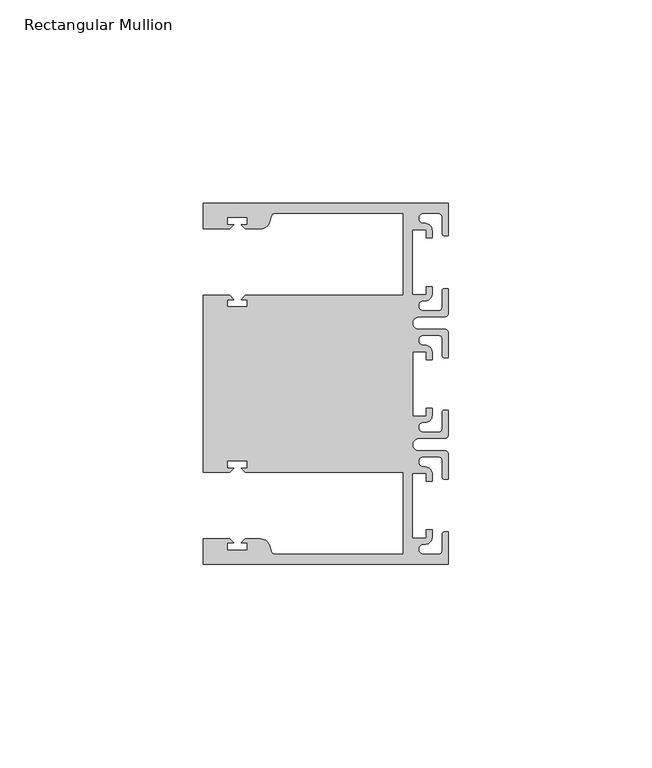
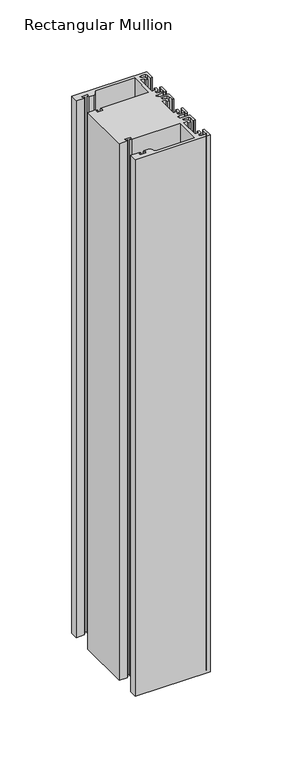
"""IFC4 building model written with IfcOpenShell, lengths in millimetres: member geometry, Rectangular Mullion."""

from ifc_helpers import new_model, si_unit, point, frame, frame_2d, origin, place, context, project, spatial, polyline, circle_curve, trimmed, segment, composite_curve, outline, extrude, source, transform, mapped, element, save


def rectangular_mullion_82d2e750(model_context):
    return source(origin(), model_context, "Body", "SweptSolid", [
        extrude(outline(composite_curve([segment(polyline([(0.0, -44.45), (-60.3249977, -44.45), (-60.3249977, -38.1499897), (-53.8507531, -38.1499897), (-52.8507405, -39.1500023), (-54.4249778, -39.1500023), (-54.4249778, -40.9498819), (-49.4249831, -40.9498819), (-49.4249831, -39.1500023), (-50.999256, -39.1500023), (-49.9992503, -38.1499966), (-46.3137853, -38.1499966)]), True, "CONTINUOUS"), segment(trimmed(circle_curve(frame_2d((-46.3137853, -40.6499966)), 2.5), [point((-46.3137853, -38.1499966))], [point((-43.8989707, -40.002949))], False, "CARTESIAN"), True, "CONTINUOUS"), segment(polyline([(-43.8989707, -40.002949), (-43.5758588, -41.2088192)]), True, "CONTINUOUS"), segment(trimmed(circle_curve(frame_2d((-42.6099329, -40.9500001)), 1.0), [point((-43.5758588, -41.2088192))], [point((-42.6099329, -41.9500001))], True, "CARTESIAN"), True, "CONTINUOUS"), segment(polyline([(-42.6099329, -41.9500001), (-11.1124977, -41.95), (-11.1124977, -21.7499959), (-49.9992434, -21.7499959), (-50.999256, -20.7499834), (-49.4250186, -20.7499834), (-49.4250186, -18.949936), (-54.4250134, -18.949936), (-54.4250134, -20.7499834), (-52.8507405, -20.7499834), (-53.8507562, -21.749999), (-60.325, -21.749999), (-60.325, 21.749999), (-53.8507562, 21.749999), (-52.8507405, 20.7499834), (-54.4250134, 20.7499834), (-54.4250134, 18.949936), (-49.4250186, 18.949936), (-49.4250186, 20.7499834), (-50.999256, 20.7499834), (-49.9992434, 21.7499959), (-11.1125, 21.7499959), (-11.1125, 41.95), (-42.6099329, 41.95)]), True, "CONTINUOUS"), segment(trimmed(circle_curve(frame_2d((-42.6099329, 40.9500001)), 1.0), [point((-42.6099329, 41.95))], [point((-43.5758588, 41.2088192))], True, "CARTESIAN"), True, "CONTINUOUS"), segment(polyline([(-43.5758588, 41.2088192), (-43.8989707, 40.002949)]), True, "CONTINUOUS"), segment(trimmed(circle_curve(frame_2d((-46.3137853, 40.6499966)), 2.5), [point((-43.8989707, 40.002949))], [point((-46.3137853, 38.1499966))], False, "CARTESIAN"), True, "CONTINUOUS"), segment(polyline([(-46.3137853, 38.1499966), (-49.9992503, 38.1499966), (-50.999256, 39.1500023), (-49.4249831, 39.1500023), (-49.4249831, 40.9498819), (-54.4249778, 40.9498819), (-54.4249778, 39.1500023), (-52.8507405, 39.1500023), (-53.8507531, 38.1499897), (-60.325, 38.1499897), (-60.325, 44.45), (0.0, 44.45), (0.0, 36.4500318), (-1.0, 36.4500318)]), True, "CONTINUOUS"), segment(trimmed(circle_curve(frame_2d((-1.0, 36.9500318)), 0.5), [point((-1.0, 36.4500318))], [point((-1.5, 36.9500318))], False, "CARTESIAN"), True, "CONTINUOUS"), segment(polyline([(-1.5, 36.9500318), (-1.5, 40.95)]), True, "CONTINUOUS"), segment(trimmed(circle_curve(frame_2d((-2.5, 40.95)), 1.0), [point((-1.5, 40.95))], [point((-2.5, 41.95))], True, "CARTESIAN"), True, "CONTINUOUS"), segment(polyline([(-2.5, 41.95), (-6.0499986, 41.95)]), True, "CONTINUOUS"), segment(trimmed(circle_curve(frame_2d((-6.0499986, 40.6999986)), 1.2500014), [point((-6.0499986, 41.95))], [point((-5.9027291, 39.4587029))], True, "CARTESIAN"), True, "CONTINUOUS"), segment(trimmed(circle_curve(frame_2d((-5.7186029, 37.7499972)), 1.7185975), [point((-5.9027291, 39.4587029))], [point((-4.0000054, 37.7499972))], False, "CARTESIAN"), True, "CONTINUOUS"), segment(polyline([(-4.0000054, 37.7499972), (-4.0000054, 35.9500318), (-5.5, 35.9500318), (-5.5, 37.9499972), (-8.8585786, 37.9499972), (-8.8585786, 21.9499956), (-5.5, 21.9499956), (-5.5, 23.9499611), (-3.9999946, 23.9499611), (-3.9999946, 22.0272972)]), True, "CONTINUOUS"), segment(trimmed(circle_curve(frame_2d((-5.7543344, 22.1865598)), 1.761554), [point((-3.9999946, 22.0272972))], [point((-6.0499986, 20.4499956))], False, "CARTESIAN"), True, "CONTINUOUS"), segment(trimmed(circle_curve(frame_2d((-6.0499986, 19.1999942)), 1.2500014), [point((-6.0499986, 20.4499956))], [point((-6.0499986, 17.9499929))], True, "CARTESIAN"), True, "CONTINUOUS"), segment(polyline([(-6.0499986, 17.9499929), (-2.5, 17.9499929)]), True, "CONTINUOUS"), segment(trimmed(circle_curve(frame_2d((-2.5, 18.9499929)), 1.0), [point((-2.5, 17.9499929))], [point((-1.5, 18.9499929))], True, "CARTESIAN"), True, "CONTINUOUS"), segment(polyline([(-1.5, 18.9499929), (-1.5, 22.9499611)]), True, "CONTINUOUS"), segment(trimmed(circle_curve(frame_2d((-1.0, 22.9499611)), 0.5), [point((-1.5, 22.9499611))], [point((-1.0, 23.4499611))], False, "CARTESIAN"), True, "CONTINUOUS"), segment(polyline([(-1.0, 23.4499611), (0.0, 23.4499611), (0.0, 17.4499929)]), True, "CONTINUOUS"), segment(trimmed(circle_curve(frame_2d((-1.0, 17.4499929)), 1.0), [point((0.0, 17.4499929))], [point((-1.0, 16.4499929))], False, "CARTESIAN"), True, "CONTINUOUS"), segment(polyline([(-1.0, 16.4499929), (-7.3, 16.4499929)]), True, "CONTINUOUS"), segment(trimmed(circle_curve(frame_2d((-7.3, 14.9499929)), 1.5), [point((-7.3, 16.4499929))], [point((-7.3046244, 13.45))], True, "CARTESIAN"), True, "CONTINUOUS"), segment(polyline([(-7.3046244, 13.45), (-1.0, 13.45)]), True, "CONTINUOUS"), segment(trimmed(circle_curve(frame_2d((-1.0, 12.45)), 1.0), [point((-1.0, 13.45))], [point((0.0, 12.45))], False, "CARTESIAN"), True, "CONTINUOUS"), segment(polyline([(0.0, 12.45), (0.0, 6.4500354), (-0.9999964, 6.4500354)]), True, "CONTINUOUS"), segment(trimmed(circle_curve(frame_2d((-0.9999964, 6.9500354)), 0.5), [point((-0.9999964, 6.4500354))], [point((-1.4999964, 6.9500354))], False, "CARTESIAN"), True, "CONTINUOUS"), segment(polyline([(-1.4999964, 6.9500354), (-1.4999964, 10.95)]), True, "CONTINUOUS"), segment(trimmed(circle_curve(frame_2d((-2.4999964, 10.95)), 1.0), [point((-1.4999964, 10.95))], [point((-2.4999964, 11.95))], True, "CARTESIAN"), True, "CONTINUOUS"), segment(polyline([(-2.4999964, 11.95), (-6.0499986, 11.95)]), True, "CONTINUOUS"), segment(trimmed(circle_curve(frame_2d((-6.0499986, 10.6999986)), 1.2500014), [point((-6.0499986, 11.95))], [point((-6.0499986, 9.4499972))], True, "CARTESIAN"), True, "CONTINUOUS"), segment(trimmed(circle_curve(frame_2d((-5.7298824, 7.7499972)), 1.729877), [point((-6.0499986, 9.4499972))], [point((-4.0000054, 7.7499972))], False, "CARTESIAN"), True, "CONTINUOUS"), segment(polyline([(-4.0000054, 7.7499972), (-4.0000054, 5.9500318), (-5.5, 5.9500318), (-5.5, 7.9499972), (-8.8, 7.9499972), (-8.8, -7.9499972), (-5.5, -7.9499972), (-5.5, -5.9500318), (-4.0000054, -5.9500318), (-4.0000054, -7.7499972)]), True, "CONTINUOUS"), segment(trimmed(circle_curve(frame_2d((-5.7298824, -7.7499972)), 1.729877), [point((-4.0000054, -7.7499972))], [point((-6.0499986, -9.4499972))], False, "CARTESIAN"), True, "CONTINUOUS"), segment(trimmed(circle_curve(frame_2d((-6.0499986, -10.6999986)), 1.2500014), [point((-6.0499986, -9.4499972))], [point((-6.0499986, -11.95))], True, "CARTESIAN"), True, "CONTINUOUS"), segment(polyline([(-6.0499986, -11.95), (-2.4999964, -11.95)]), True, "CONTINUOUS"), segment(trimmed(circle_curve(frame_2d((-2.4999964, -10.95)), 1.0), [point((-2.4999964, -11.95))], [point((-1.4999964, -10.95))], True, "CARTESIAN"), True, "CONTINUOUS"), segment(polyline([(-1.4999964, -10.95), (-1.4999964, -6.9500354)]), True, "CONTINUOUS"), segment(trimmed(circle_curve(frame_2d((-0.9999964, -6.9500354)), 0.5), [point((-1.4999964, -6.9500354))], [point((-0.9999964, -6.4500354))], False, "CARTESIAN"), True, "CONTINUOUS"), segment(polyline([(-0.9999964, -6.4500354), (0.0, -6.4500354), (0.0, -12.45)]), True, "CONTINUOUS"), segment(trimmed(circle_curve(frame_2d((-1.0, -12.45)), 1.0), [point((0.0, -12.45))], [point((-1.0, -13.45))], False, "CARTESIAN"), True, "CONTINUOUS"), segment(polyline([(-1.0, -13.45), (-7.3046244, -13.45)]), True, "CONTINUOUS"), segment(trimmed(circle_curve(frame_2d((-7.3, -14.9499929)), 1.5), [point((-7.3046244, -13.45))], [point((-7.3, -16.4499929))], True, "CARTESIAN"), True, "CONTINUOUS"), segment(polyline([(-7.3, -16.4499929), (-1.0, -16.4499929)]), True, "CONTINUOUS"), segment(trimmed(circle_curve(frame_2d((-1.0, -17.4499929)), 1.0), [point((-1.0, -16.4499929))], [point((0.0, -17.4499929))], False, "CARTESIAN"), True, "CONTINUOUS"), segment(polyline([(0.0, -17.4499929), (0.0, -23.4499611), (-1.0, -23.4499611)]), True, "CONTINUOUS"), segment(trimmed(circle_curve(frame_2d((-1.0, -22.9499611)), 0.5), [point((-1.0, -23.4499611))], [point((-1.5, -22.9499611))], False, "CARTESIAN"), True, "CONTINUOUS"), segment(polyline([(-1.5, -22.9499611), (-1.5, -18.9499929)]), True, "CONTINUOUS"), segment(trimmed(circle_curve(frame_2d((-2.5, -18.9499929)), 1.0), [point((-1.5, -18.9499929))], [point((-2.5, -17.9499929))], True, "CARTESIAN"), True, "CONTINUOUS"), segment(polyline([(-2.5, -17.9499929), (-6.0499986, -17.9499929)]), True, "CONTINUOUS"), segment(trimmed(circle_curve(frame_2d((-6.0499986, -19.1999942)), 1.2500014), [point((-6.0499986, -17.9499929))], [point((-6.0499986, -20.4499956))], True, "CARTESIAN"), True, "CONTINUOUS"), segment(trimmed(circle_curve(frame_2d((-5.7543344, -22.1865598)), 1.761554), [point((-6.0499986, -20.4499956))], [point((-3.9999946, -22.0272972))], False, "CARTESIAN"), True, "CONTINUOUS"), segment(polyline([(-3.9999946, -22.0272972), (-3.9999946, -23.9499611), (-5.5, -23.9499611), (-5.5, -21.9499956), (-8.8585786, -21.9499956), (-8.8585786, -37.9499972), (-5.5, -37.9499972), (-5.5, -35.9500318), (-4.0000054, -35.9500318), (-4.0000054, -37.7499972)]), True, "CONTINUOUS"), segment(trimmed(circle_curve(frame_2d((-5.7186029, -37.7499972)), 1.7185975), [point((-4.0000054, -37.7499972))], [point((-5.9027291, -39.4587029))], False, "CARTESIAN"), True, "CONTINUOUS"), segment(trimmed(circle_curve(frame_2d((-6.0499986, -40.6999986)), 1.2500014), [point((-5.9027291, -39.4587029))], [point((-6.0499986, -41.95))], True, "CARTESIAN"), True, "CONTINUOUS"), segment(polyline([(-6.0499986, -41.95), (-2.5, -41.95)]), True, "CONTINUOUS"), segment(trimmed(circle_curve(frame_2d((-2.5, -40.95)), 1.0), [point((-2.5, -41.95))], [point((-1.5, -40.95))], True, "CARTESIAN"), True, "CONTINUOUS"), segment(polyline([(-1.5, -40.95), (-1.5, -36.9500318)]), True, "CONTINUOUS"), segment(trimmed(circle_curve(frame_2d((-1.0, -36.9500318)), 0.5), [point((-1.5, -36.9500318))], [point((-1.0, -36.4500318))], False, "CARTESIAN"), True, "CONTINUOUS"), segment(polyline([(-1.0, -36.4500318), (0.0, -36.4500318), (0.0, -44.45)]), True, "CONTINUOUS")], self_intersect=False)), frame((0.0, 0.0, -457.2), z_axis=(0.0, 0.0, 1.0), x_axis=(1.0, 0.0, 0.0)), (0.0, 0.0, 1.0), 457.2),
    ])


if __name__ == "__main__":
    model = new_model("IFC4")
    model_context = context("Model", 3, world=origin())
    ifc_project = project(units=[si_unit("LENGTHUNIT", "METRE", prefix="MILLI")], contexts=[model_context])
    site = spatial("IfcSite", under=ifc_project)
    building = spatial("IfcBuilding", under=site)
    placement = place(None, origin())
    rectangular_mullion_shape = rectangular_mullion_82d2e750(model_context)
    element("IfcMember", 1, ObjectType="Rectangular Mullion", at=placement, inside=building, context=model_context, shape_type="MappedRepresentation", body=[
        mapped(rectangular_mullion_shape, transform((0.0, 0.0, 0.0), x_axis=(1.0, 0.0, 0.0), y_axis=(0.0, 1.0, 0.0), z_axis=(0.0, 0.0, 1.0))),
    ])
    save(model, "model.ifc")
